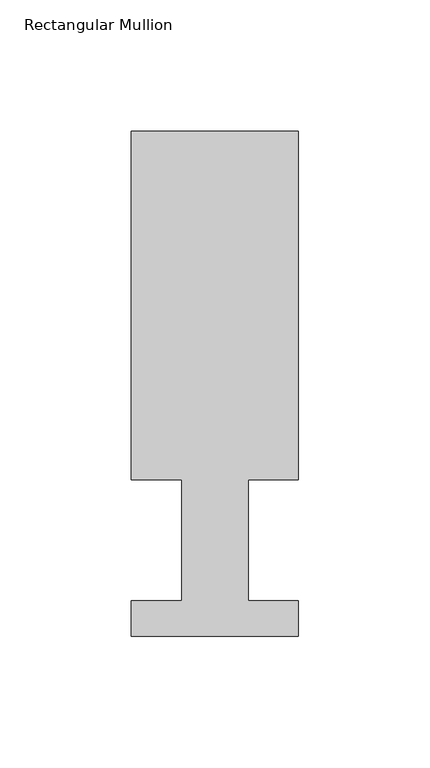
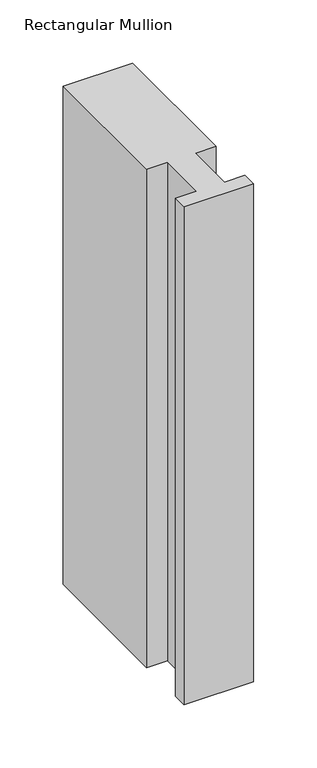
"""IFC4 building model written with IfcOpenShell, lengths in millimetres: member geometry, Rectangular Mullion."""

from ifc_helpers import new_model, si_unit, frame, origin, place, context, project, spatial, polyline, outline, extrude, source, transform, mapped, element, save


def rectangular_mullion_764e93d9(model_context):
    return source(origin(), model_context, "Body", "SweptSolid", [
        extrude(outline(polyline([(-63.5, 192.09385), (0.0, 192.09385), (0.0, 59.53125), (-19.0373, 59.53125), (-19.0373, 13.50645), (0.0, 13.50645), (0.0, 0.04445), (-63.5, 0.04445), (-63.5, 13.50645), (-44.45, 13.50645), (-44.45, 59.53125), (-63.5, 59.53125), (-63.5, 192.09385)])), frame((0.0, 0.0, -481.5416667), z_axis=(0.0, 0.0, 1.0), x_axis=(1.0, 0.0, 0.0)), (0.0, 0.0, 1.0), 481.5416667),
    ])


if __name__ == "__main__":
    model = new_model("IFC4")
    model_context = context("Model", 3, world=origin())
    ifc_project = project(units=[si_unit("LENGTHUNIT", "METRE", prefix="MILLI")], contexts=[model_context])
    site = spatial("IfcSite", under=ifc_project)
    building = spatial("IfcBuilding", under=site)
    placement = place(None, origin())
    rectangular_mullion_shape = rectangular_mullion_764e93d9(model_context)
    element("IfcMember", 1, ObjectType="Rectangular Mullion", at=placement, inside=building, context=model_context, shape_type="MappedRepresentation", body=[
        mapped(rectangular_mullion_shape, transform((0.0, 0.0, 0.0), x_axis=(1.0, 0.0, 0.0), y_axis=(0.0, 1.0, 0.0), z_axis=(0.0, 0.0, 1.0))),
    ])
    save(model, "model.ifc")
